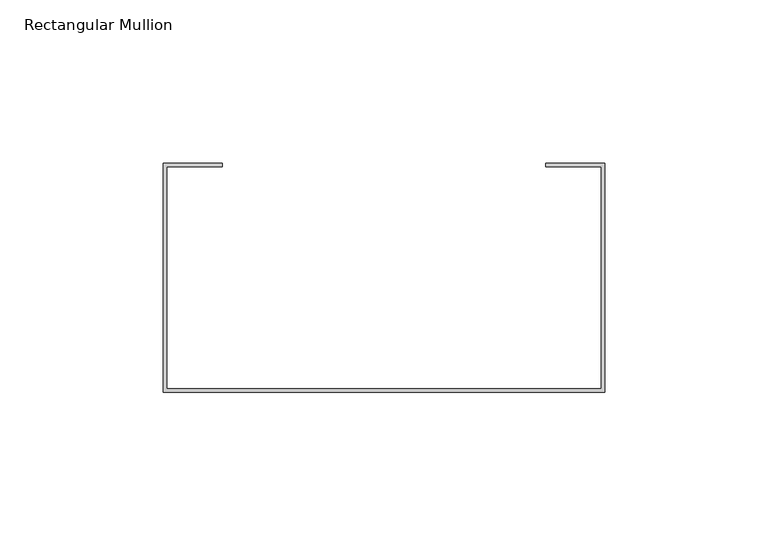
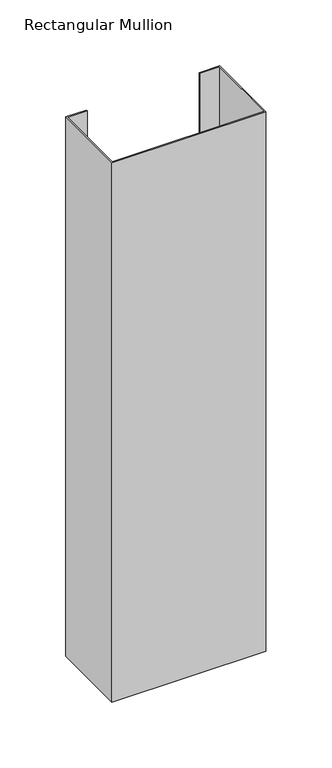
"""IFC4 building model written with IfcOpenShell, lengths in millimetres: member geometry, Rectangular Mullion."""

from ifc_helpers import new_model, si_unit, frame, origin, place, context, project, spatial, polyline, outline, extrude, source, transform, mapped, element, save


def rectangular_mullion_a2c9e75b(model_context):
    return source(origin(), model_context, "Body", "SweptSolid", [
        extrude(outline(polyline([(-67.5, 24.9842182), (-67.5, 94.9842182), (-49.5, 94.9842182), (-49.5, 93.9842182), (-66.5, 93.9842182), (-66.5, 25.9842182), (66.5, 25.9842182), (66.5, 93.9842182), (49.5, 93.9842182), (49.5, 94.9842182), (67.5, 94.9842182), (67.5, 24.9842182), (-67.5, 24.9842182)])), frame((0.0, 0.0, -499.9999997), z_axis=(0.0, 0.0, 1.0), x_axis=(1.0, 0.0, 0.0)), (0.0, 0.0, 1.0), 499.9999997),
    ])


if __name__ == "__main__":
    model = new_model("IFC4")
    model_context = context("Model", 3, world=origin())
    ifc_project = project(units=[si_unit("LENGTHUNIT", "METRE", prefix="MILLI")], contexts=[model_context])
    site = spatial("IfcSite", under=ifc_project)
    building = spatial("IfcBuilding", under=site)
    placement = place(None, origin())
    rectangular_mullion_shape = rectangular_mullion_a2c9e75b(model_context)
    element("IfcMember", 1, ObjectType="Rectangular Mullion", at=placement, inside=building, context=model_context, shape_type="MappedRepresentation", body=[
        mapped(rectangular_mullion_shape, transform((0.0, 0.0, 0.0), x_axis=(1.0, 0.0, 0.0), y_axis=(0.0, 1.0, 0.0), z_axis=(0.0, 0.0, 1.0))),
    ])
    save(model, "model.ifc")
